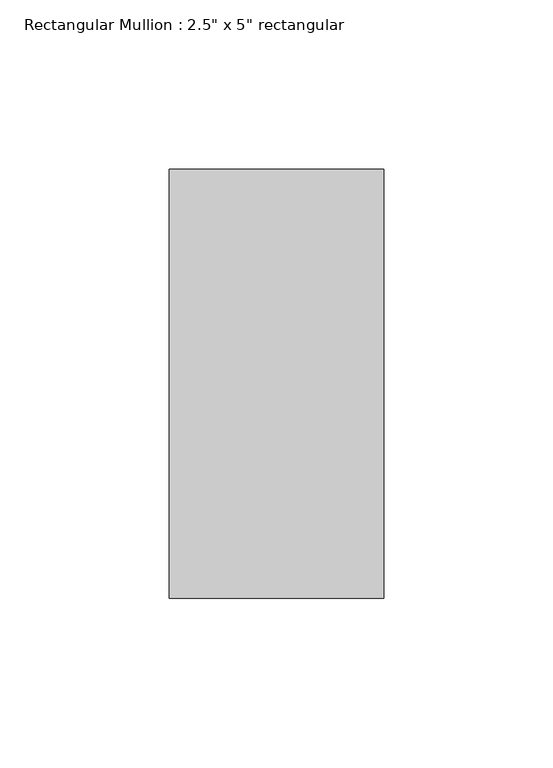
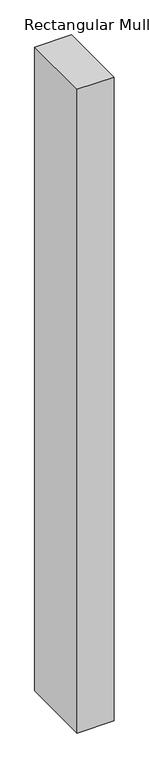
"""IFC4 building model written with IfcOpenShell, lengths in millimetres: member geometry."""

from ifc_helpers import new_model, si_unit, frame, origin, place, context, project, spatial, polyline, outline, extrude, source, transform, mapped, element, save


def member_efaae4f4(model_context):
    return source(origin(), model_context, "Body", "SweptSolid", [
        extrude(outline(polyline([(31.75, 63.5), (31.75, -63.5), (-31.75, -63.5), (-31.75, 63.5), (31.75, 63.5)])), frame((0.0, 0.0, -1172.36875), z_axis=(0.0, 0.0, 1.0), x_axis=(1.0, 0.0, 0.0)), (0.0, 0.0, 1.0), 1172.36875),
    ])


if __name__ == "__main__":
    model = new_model("IFC4")
    model_context = context("Model", 3, world=origin())
    ifc_project = project(units=[si_unit("LENGTHUNIT", "METRE", prefix="MILLI")], contexts=[model_context])
    site = spatial("IfcSite", under=ifc_project)
    building = spatial("IfcBuilding", under=site)
    placement = place(None, origin())
    member_shape = member_efaae4f4(model_context)
    element("IfcMember", 1, ObjectType="Rectangular Mullion : 2.5\" x 5\" rectangular", at=placement, inside=building, context=model_context, shape_type="MappedRepresentation", body=[
        mapped(member_shape, transform((0.0, 0.0, 0.0), x_axis=(1.0, 0.0, 0.0), y_axis=(0.0, 1.0, 0.0), z_axis=(0.0, 0.0, 1.0))),
    ])
    save(model, "model.ifc")
